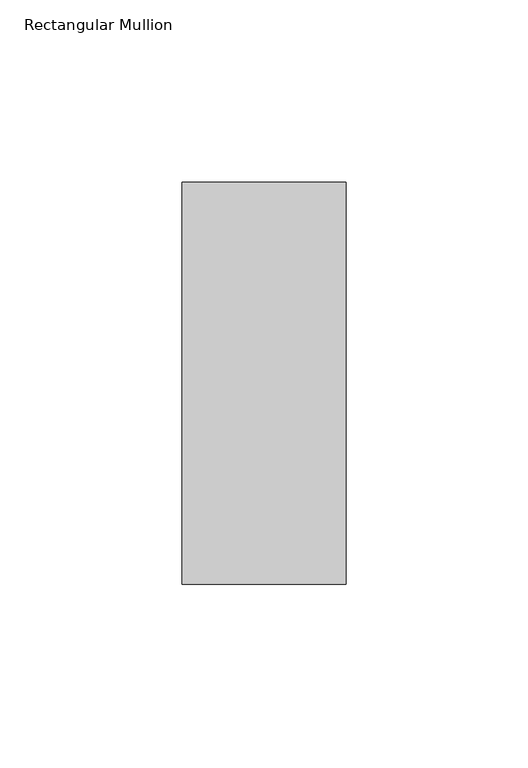
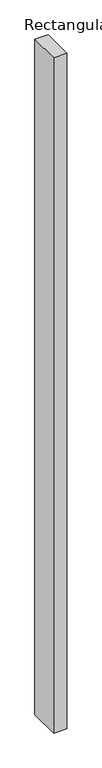
"""IFC4 building model written with IfcOpenShell, lengths in millimetres: member geometry, Rectangular Mullion."""

from ifc_helpers import new_model, si_unit, frame, origin, place, context, project, spatial, polyline, outline, extrude, source, transform, mapped, element, save


def rectangular_mullion_ec619968(model_context):
    return source(origin(), model_context, "Body", "SweptSolid", [
        extrude(outline(polyline([(0.0, -70.7), (-45.0, -70.7), (-45.0, 39.7), (0.0, 39.7), (0.0, -70.7)])), frame((0.0, 0.0, -2438.4), z_axis=(0.0, 0.0, 1.0), x_axis=(1.0, 0.0, 0.0)), (0.0, 0.0, 1.0), 2438.4),
    ])


if __name__ == "__main__":
    model = new_model("IFC4")
    model_context = context("Model", 3, world=origin())
    ifc_project = project(units=[si_unit("LENGTHUNIT", "METRE", prefix="MILLI")], contexts=[model_context])
    site = spatial("IfcSite", under=ifc_project)
    building = spatial("IfcBuilding", under=site)
    placement = place(None, origin())
    rectangular_mullion_shape = rectangular_mullion_ec619968(model_context)
    element("IfcMember", 1, ObjectType="Rectangular Mullion", at=placement, inside=building, context=model_context, shape_type="MappedRepresentation", body=[
        mapped(rectangular_mullion_shape, transform((0.0, 0.0, 0.0), x_axis=(1.0, 0.0, 0.0), y_axis=(0.0, 1.0, 0.0), z_axis=(0.0, 0.0, 1.0))),
    ])
    save(model, "model.ifc")
